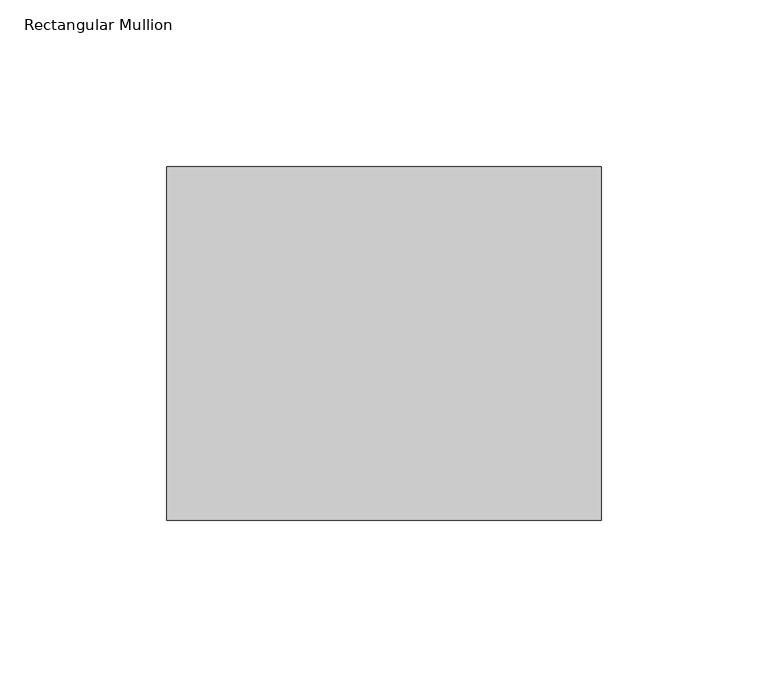
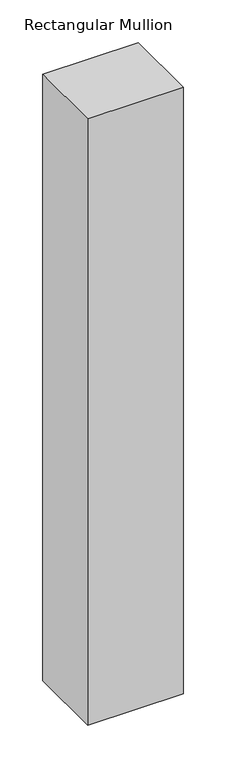
"""IFC4 building model written with IfcOpenShell, lengths in millimetres: member geometry, Rectangular Mullion."""

from ifc_helpers import new_model, si_unit, frame, origin, place, context, project, spatial, polyline, outline, extrude, source, transform, mapped, element, save


def rectangular_mullion_25ee14ec(model_context):
    return source(origin(), model_context, "Body", "SweptSolid", [
        extrude(outline(polyline([(0.0, 52.8779994), (0.0, -52.8779994), (-130.0, -52.8779994), (-130.0, 52.8779994), (0.0, 52.8779994)])), frame((0.0, 0.0, -870.0), z_axis=(0.0, 0.0, 1.0), x_axis=(1.0, 0.0, 0.0)), (0.0, 0.0, 1.0), 870.0),
    ])


if __name__ == "__main__":
    model = new_model("IFC4")
    model_context = context("Model", 3, world=origin())
    ifc_project = project(units=[si_unit("LENGTHUNIT", "METRE", prefix="MILLI")], contexts=[model_context])
    site = spatial("IfcSite", under=ifc_project)
    building = spatial("IfcBuilding", under=site)
    placement = place(None, origin())
    rectangular_mullion_shape = rectangular_mullion_25ee14ec(model_context)
    element("IfcMember", 1, ObjectType="Rectangular Mullion", at=placement, inside=building, context=model_context, shape_type="MappedRepresentation", body=[
        mapped(rectangular_mullion_shape, transform((0.0, 0.0, 0.0), x_axis=(1.0, 0.0, 0.0), y_axis=(0.0, 1.0, 0.0), z_axis=(0.0, 0.0, 1.0))),
    ])
    save(model, "model.ifc")
